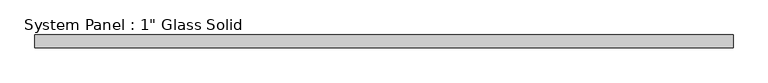
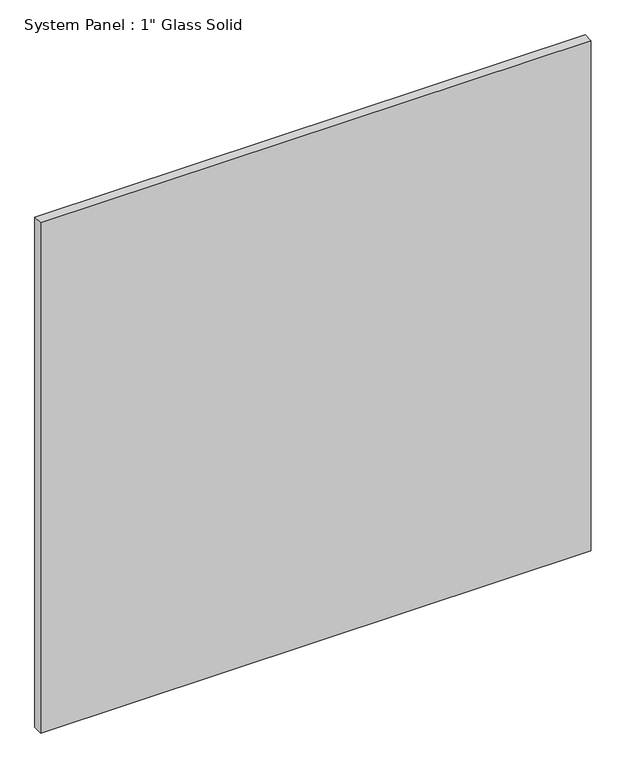
"""IFC4 building model written with IfcOpenShell, lengths in millimetres: plate geometry."""

from ifc_helpers import new_model, si_unit, origin, origin_with_axes, place, context, project, spatial, polyline, outline, extrude, source, transform, mapped, element, save


def plate_02477a27(model_context):
    return source(origin(), model_context, "Body", "SweptSolid", [
        extrude(outline(polyline([(702.1554024, -12.7), (-702.1554024, -12.7), (-702.1554024, 12.7), (702.1554024, 12.7), (702.1554024, -12.7)])), origin_with_axes(), (0.0, 0.0, 1.0), 1375.5241382),
    ])


if __name__ == "__main__":
    model = new_model("IFC4")
    model_context = context("Model", 3, world=origin())
    ifc_project = project(units=[si_unit("LENGTHUNIT", "METRE", prefix="MILLI")], contexts=[model_context])
    site = spatial("IfcSite", under=ifc_project)
    building = spatial("IfcBuilding", under=site)
    placement = place(None, origin())
    plate_shape = plate_02477a27(model_context)
    element("IfcPlate", 1, ObjectType="System Panel : 1\" Glass Solid", at=placement, inside=building, context=model_context, shape_type="MappedRepresentation", body=[
        mapped(plate_shape, transform((0.0, 0.0, 0.0), x_axis=(1.0, 0.0, 0.0), y_axis=(0.0, 1.0, 0.0), z_axis=(0.0, 0.0, 1.0))),
    ])
    save(model, "model.ifc")
